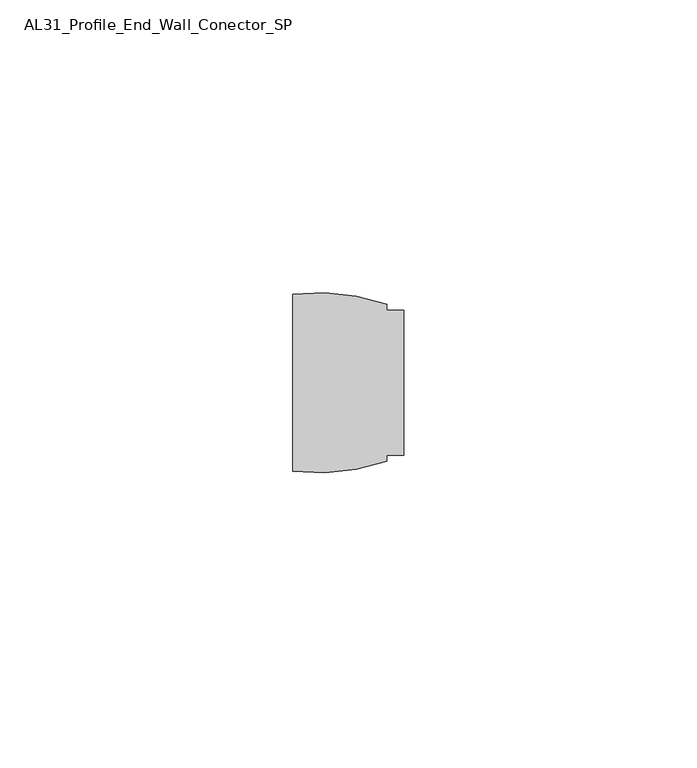
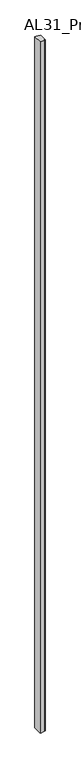
"""IFC4 building model written with IfcOpenShell, lengths in millimetres: member geometry, AL31_Profile_End_Wall_Conector_SP."""

from ifc_helpers import new_model, si_unit, point, frame, frame_2d, origin, place, context, project, spatial, polyline, circle_curve, trimmed, segment, composite_curve, outline, extrude, source, transform, mapped, element, save


def al31_profile_end_wall_conector_sp_d1c9eee5(model_context):
    return source(origin(), model_context, "Body", "SweptSolid", [
        extrude(outline(composite_curve([segment(polyline([(-2.91093, -12.35), (-2.91093, -13.4055082)]), True, "CONTINUOUS"), segment(trimmed(circle_curve(frame_2d((-14.910931, 22.6500042)), 38.0), [point((-2.91093, -13.4055082))], [point((-18.9189957, -15.1380285))], False, "CARTESIAN"), True, "CONTINUOUS"), segment(polyline([(-18.9189957, -15.1380285), (-18.9189957, 15.1380318)]), True, "CONTINUOUS"), segment(trimmed(circle_curve(frame_2d((-14.910931, -22.6500009)), 38.0), [point((-18.9189957, 15.1380318))], [point((-2.9109321, 13.4055122))], False, "CARTESIAN"), True, "CONTINUOUS"), segment(polyline([(-2.9109321, 13.4055122), (-2.9109321, 12.35), (0.0, 12.35), (0.0, -12.35), (-2.91093, -12.35)]), True, "CONTINUOUS")], self_intersect=False)), frame((0.0, 0.0, -2500.0), z_axis=(0.0, 0.0, 1.0), x_axis=(1.0, 0.0, 0.0)), (0.0, 0.0, 1.0), 2500.0),
    ])


if __name__ == "__main__":
    model = new_model("IFC4")
    model_context = context("Model", 3, world=origin())
    ifc_project = project(units=[si_unit("LENGTHUNIT", "METRE", prefix="MILLI")], contexts=[model_context])
    site = spatial("IfcSite", under=ifc_project)
    building = spatial("IfcBuilding", under=site)
    placement = place(None, origin())
    al31_profile_end_wall_conector_sp_shape = al31_profile_end_wall_conector_sp_d1c9eee5(model_context)
    element("IfcMember", 1, ObjectType="AL31_Profile_End_Wall_Conector_SP", at=placement, inside=building, context=model_context, shape_type="MappedRepresentation", body=[
        mapped(al31_profile_end_wall_conector_sp_shape, transform((0.0, 0.0, 0.0), x_axis=(1.0, 0.0, 0.0), y_axis=(0.0, 1.0, 0.0), z_axis=(0.0, 0.0, 1.0))),
    ])
    save(model, "model.ifc")
